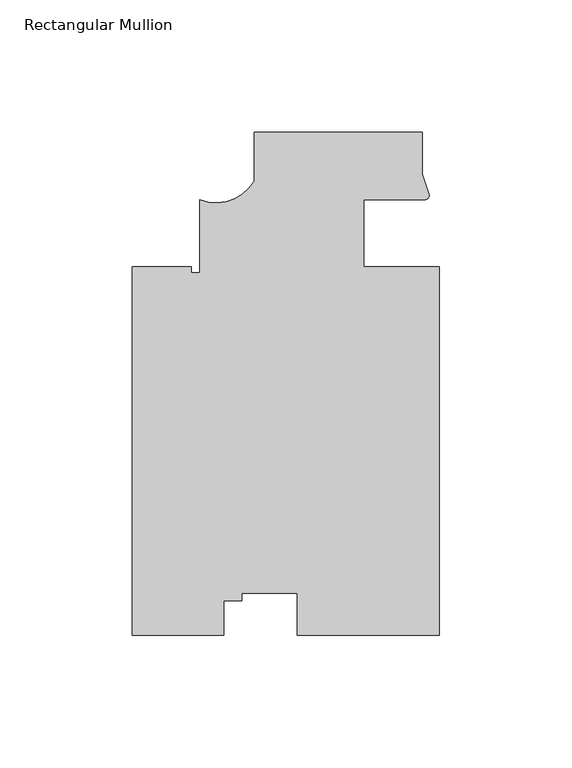
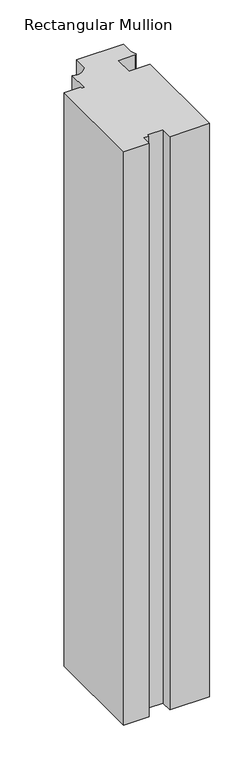
"""IFC4 building model written with IfcOpenShell, lengths in millimetres: member geometry, Rectangular Mullion."""

from ifc_helpers import new_model, si_unit, point, frame, frame_2d, origin, place, context, project, spatial, polyline, circle_curve, trimmed, segment, composite_curve, outline, extrude, source, transform, mapped, element, save


def rectangular_mullion_d8ff2057(model_context):
    return source(origin(), model_context, "Body", "SweptSolid", [
        extrude(outline(composite_curve([segment(polyline([(26.788756, -12.7927841), (26.8074563, -151.9843304), (-26.8075892, -151.9915335), (-26.8097251, -136.0931292), (-47.7563779, -136.0959434), (-47.7559944, -138.9505486), (-54.613994, -138.95147), (-54.6122416, -151.9952691), (-89.1033522, -151.9999029), (-89.1220525, -12.8083567), (-66.8970993, -12.8049183), (-66.8967457, -15.0909182), (-63.7218451, -15.0904917), (-63.7255647, 12.5955025)]), True, "CONTINUOUS"), segment(trimmed(circle_curve(frame_2d((-57.4727252, 28.1294282)), 16.7451739), [point((-63.7255647, 12.5955025))], [point((-43.0655959, 19.5950579))], True, "CARTESIAN"), True, "CONTINUOUS"), segment(polyline([(-43.0655959, 19.5950579), (-43.0680684, 37.9982836), (20.431931, 38.0068148), (20.4340638, 22.1319126), (23.0859853, 14.1956004)]), True, "CONTINUOUS"), segment(trimmed(circle_curve(frame_2d((21.3863522, 14.3083548)), 1.703369), [point((23.0859853, 14.1956004))], [point((21.4694723, 12.607015))], False, "CARTESIAN"), True, "CONTINUOUS"), segment(trimmed(circle_curve(frame_2d((16.1965279, -448.4015783)), 461.0387479), [point((21.4694723, 12.607015))], [point((-1.7896136, 12.2861964))], True, "CARTESIAN"), True, "CONTINUOUS"), segment(polyline([(-1.7896136, 12.2861964), (-1.7862438, -12.7960414), (26.788756, -12.7927841)]), True, "CONTINUOUS")], self_intersect=False)), frame((0.0, 0.0, -819.1499939), z_axis=(0.0, 0.0, 1.0), x_axis=(1.0, 0.0, 0.0)), (0.0, 0.0, 1.0), 819.1499939),
    ])


if __name__ == "__main__":
    model = new_model("IFC4")
    model_context = context("Model", 3, world=origin())
    ifc_project = project(units=[si_unit("LENGTHUNIT", "METRE", prefix="MILLI")], contexts=[model_context])
    site = spatial("IfcSite", under=ifc_project)
    building = spatial("IfcBuilding", under=site)
    placement = place(None, origin())
    rectangular_mullion_shape = rectangular_mullion_d8ff2057(model_context)
    element("IfcMember", 1, ObjectType="Rectangular Mullion", at=placement, inside=building, context=model_context, shape_type="MappedRepresentation", body=[
        mapped(rectangular_mullion_shape, transform((0.0, 0.0, 0.0), x_axis=(1.0, 0.0, 0.0), y_axis=(0.0, 1.0, 0.0), z_axis=(0.0, 0.0, 1.0))),
    ])
    save(model, "model.ifc")
